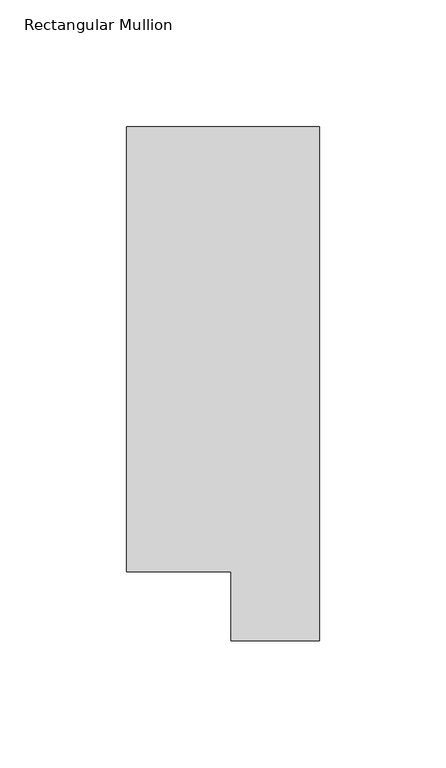
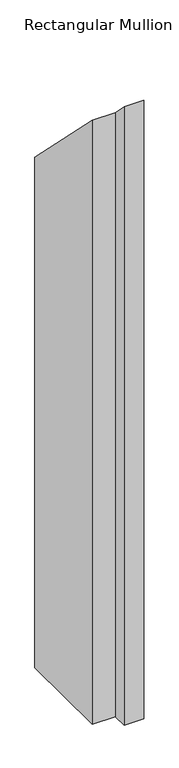
"""IFC4 building model written with IfcOpenShell, lengths in millimetres: member geometry, Rectangular Mullion."""

from ifc_helpers import new_model, si_unit, origin, place, context, project, spatial, faceted_brep, source, transform, mapped, element, save


def rectangular_mullion_f80917c1(model_context):
    return source(origin(), model_context, "Body", "Brep", [
        faceted_brep([(0.0, 222.5381312, -1181.4194229), (0.0, 19.5667312, -1181.4194229), (-34.9123, 19.5667312, -1181.4194229), (-34.9123, 46.7447302, -1181.4194229), (-76.2, 46.7447302, -1181.4194229), (-76.2, 222.5381312, -1181.4194229), (-76.2, 222.5381312, -222.5381312), (0.0, 222.5381312, -222.5381312), (-76.2, 46.7447302, -46.7447302), (-34.9123, 46.7447302, -46.7447302), (-34.9123, 19.5667312, -19.5667312), (0.0, 19.5667312, -19.5667312)], [[[0, 1, 2, 3, 4, 5]], [[6, 7, 0, 5]], [[8, 6, 5, 4]], [[9, 8, 4, 3]], [[10, 9, 3, 2]], [[11, 10, 2, 1]], [[7, 11, 1, 0]], [[7, 6, 8, 9, 10, 11]]]),
    ])


if __name__ == "__main__":
    model = new_model("IFC4")
    model_context = context("Model", 3, world=origin())
    ifc_project = project(units=[si_unit("LENGTHUNIT", "METRE", prefix="MILLI")], contexts=[model_context])
    site = spatial("IfcSite", under=ifc_project)
    building = spatial("IfcBuilding", under=site)
    placement = place(None, origin())
    rectangular_mullion_shape = rectangular_mullion_f80917c1(model_context)
    element("IfcMember", 1, ObjectType="Rectangular Mullion", at=placement, inside=building, context=model_context, shape_type="MappedRepresentation", body=[
        mapped(rectangular_mullion_shape, transform((0.0, 0.0, 0.0), x_axis=(1.0, 0.0, 0.0), y_axis=(0.0, 1.0, 0.0), z_axis=(0.0, 0.0, 1.0))),
    ])
    save(model, "model.ifc")
